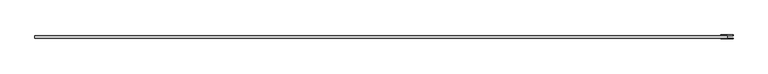
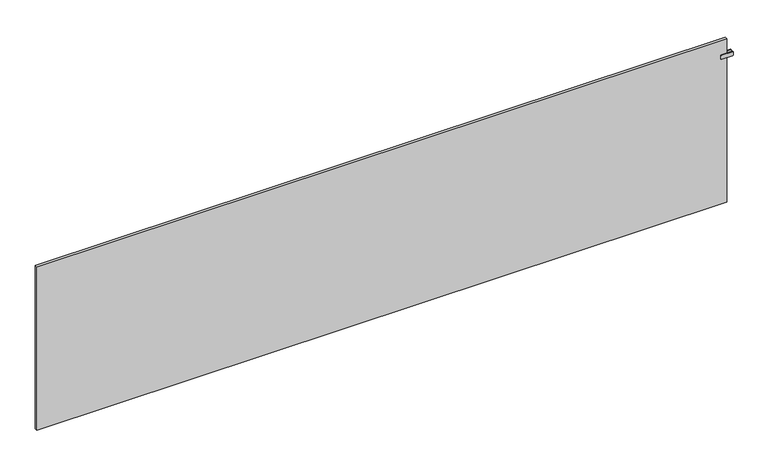
"""IFC4 building model written with IfcOpenShell, lengths in millimetres: plate geometry."""

from ifc_helpers import new_model, si_unit, point, frame, frame_2d, origin, origin_with_axes, place, context, project, spatial, polyline, circle_curve, trimmed, segment, composite_curve, outline, extrude, source, transform, mapped, element, save


def plate_a4b27c9f(model_context):
    return source(origin(), model_context, "Body", "SweptSolid", [
        extrude(outline(polyline([(1997.5, -38.75), (1992.5, -38.75), (1992.5, -25.25), (1997.5, -25.25), (1997.5, -38.75)])), frame((0.0, 0.0, 887.5), z_axis=(0.0, 0.0, 1.0), x_axis=(1.0, 0.0, 0.0)), (0.0, 0.0, 1.0), 25.0),
        extrude(outline(composite_curve([segment(polyline([(887.5, 1963.0), (887.5, 2027.0)]), True, "CONTINUOUS"), segment(trimmed(circle_curve(frame_2d((890.5, 2027.0)), 3.0), [point((887.5, 2027.0))], [point((890.5, 2030.0))], False, "CARTESIAN"), True, "CONTINUOUS"), segment(polyline([(890.5, 2030.0), (909.5, 2030.0)]), True, "CONTINUOUS"), segment(trimmed(circle_curve(frame_2d((909.5, 2027.0)), 3.0), [point((909.5, 2030.0))], [point((912.5, 2027.0))], False, "CARTESIAN"), True, "CONTINUOUS"), segment(polyline([(912.5, 2027.0), (912.5, 1963.0)]), True, "CONTINUOUS"), segment(trimmed(circle_curve(frame_2d((909.5, 1963.0)), 3.0), [point((912.5, 1963.0))], [point((909.5, 1960.0))], False, "CARTESIAN"), True, "CONTINUOUS"), segment(polyline([(909.5, 1960.0), (890.5, 1960.0)]), True, "CONTINUOUS"), segment(trimmed(circle_curve(frame_2d((890.5, 1963.0)), 3.0), [point((890.5, 1960.0))], [point((887.5, 1963.0))], False, "CARTESIAN"), True, "CONTINUOUS")], self_intersect=False)), frame((0.0, -25.25, 0.0), z_axis=(0.0, 1.0, 0.0), x_axis=(0.0, 0.0, 1.0)), (0.0, 0.0, 1.0), 5.0),
        extrude(outline(composite_curve([segment(polyline([(887.5, 1963.0), (887.5, 2027.0)]), True, "CONTINUOUS"), segment(trimmed(circle_curve(frame_2d((890.5, 2027.0)), 3.0), [point((887.5, 2027.0))], [point((890.5, 2030.0))], False, "CARTESIAN"), True, "CONTINUOUS"), segment(polyline([(890.5, 2030.0), (909.5, 2030.0)]), True, "CONTINUOUS"), segment(trimmed(circle_curve(frame_2d((909.5, 2027.0)), 3.0), [point((909.5, 2030.0))], [point((912.5, 2027.0))], False, "CARTESIAN"), True, "CONTINUOUS"), segment(polyline([(912.5, 2027.0), (912.5, 1963.0)]), True, "CONTINUOUS"), segment(trimmed(circle_curve(frame_2d((909.5, 1963.0)), 3.0), [point((912.5, 1963.0))], [point((909.5, 1960.0))], False, "CARTESIAN"), True, "CONTINUOUS"), segment(polyline([(909.5, 1960.0), (890.5, 1960.0)]), True, "CONTINUOUS"), segment(trimmed(circle_curve(frame_2d((890.5, 1963.0)), 3.0), [point((890.5, 1960.0))], [point((887.5, 1963.0))], False, "CARTESIAN"), True, "CONTINUOUS")], self_intersect=False)), frame((0.0, -43.75, 0.0), z_axis=(0.0, 1.0, 0.0), x_axis=(0.0, 0.0, 1.0)), (0.0, 0.0, 1.0), 5.0),
        extrude(outline(polyline([(1995.0, -25.25), (1995.0, -38.75), (-1995.0, -38.75), (-1995.0, -25.25), (1995.0, -25.25)])), origin_with_axes(), (0.0, 0.0, 1.0), 1000.0),
    ])


if __name__ == "__main__":
    model = new_model("IFC4")
    model_context = context("Model", 3, world=origin())
    ifc_project = project(units=[si_unit("LENGTHUNIT", "METRE", prefix="MILLI")], contexts=[model_context])
    site = spatial("IfcSite", under=ifc_project)
    building = spatial("IfcBuilding", under=site)
    placement = place(None, origin())
    plate_shape = plate_a4b27c9f(model_context)
    element("IfcPlate", 1, at=placement, inside=building, context=model_context, shape_type="MappedRepresentation", body=[
        mapped(plate_shape, transform((0.0, 0.0, 0.0), x_axis=(1.0, 0.0, 0.0), y_axis=(0.0, 1.0, 0.0), z_axis=(0.0, 0.0, 1.0))),
    ])
    save(model, "model.ifc")
